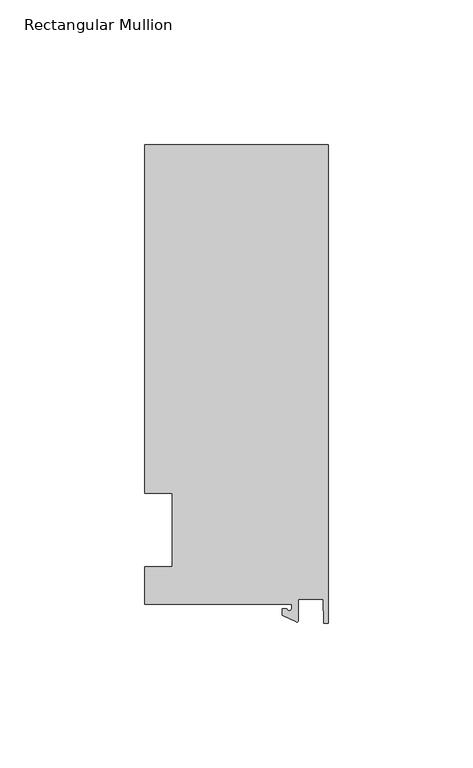
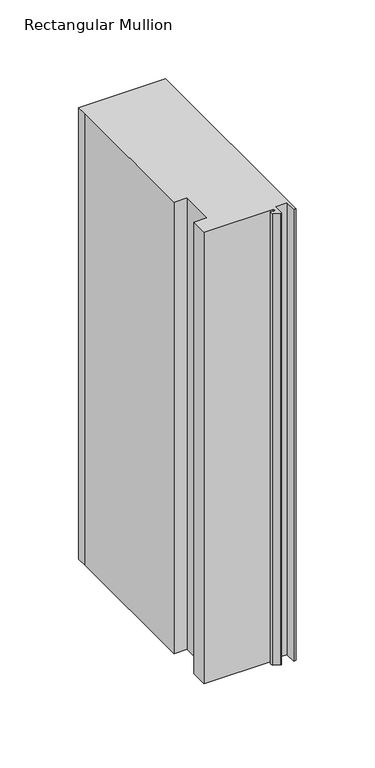
"""IFC4 building model written with IfcOpenShell, lengths in millimetres: member geometry, Rectangular Mullion."""

from ifc_helpers import new_model, si_unit, point, frame, frame_2d, origin, place, context, project, spatial, polyline, circle_curve, trimmed, segment, composite_curve, outline, extrude, source, transform, mapped, element, save


def rectangular_mullion_3f63d6ba(model_context):
    return source(origin(), model_context, "Body", "SweptSolid", [
        extrude(outline(composite_curve([segment(polyline([(-12.6979967, -25.796875), (-63.5, -25.796875), (-63.5, -12.7), (-53.975, -12.7), (-53.975, 12.7), (-63.5, 12.7), (-63.5, 125.4797866), (-63.5, 133.2272736), (0.0, 133.2272736), (0.0, -32.288874), (-1.5658966, -32.288874), (-1.7144124, -23.9227662), (-10.3103967, -23.9227662), (-10.3103967, -31.3654561)]), True, "CONTINUOUS"), segment(trimmed(circle_curve(frame_2d((-10.8183967, -31.3654561)), 0.508), [point((-10.3103967, -31.3654561))], [point((-11.0330867, -31.8258605))], False, "CARTESIAN"), True, "CONTINUOUS"), segment(polyline([(-11.0330867, -31.8258605), (-15.8729967, -29.5689734), (-15.8729967, -27.2067741), (-14.2854967, -27.2067741)]), True, "CONTINUOUS"), segment(trimmed(circle_curve(frame_2d((-13.4917467, -27.2067741)), 0.79375), [point((-14.2854967, -27.2067741))], [point((-12.6979967, -27.2067741))], True, "CARTESIAN"), True, "CONTINUOUS"), segment(polyline([(-12.6979967, -27.2067741), (-12.6979967, -25.796875)]), True, "CONTINUOUS")], self_intersect=False)), frame((0.0, 0.0, -349.25), z_axis=(0.0, 0.0, 1.0), x_axis=(1.0, 0.0, 0.0)), (0.0, 0.0, 1.0), 349.25),
    ])


if __name__ == "__main__":
    model = new_model("IFC4")
    model_context = context("Model", 3, world=origin())
    ifc_project = project(units=[si_unit("LENGTHUNIT", "METRE", prefix="MILLI")], contexts=[model_context])
    site = spatial("IfcSite", under=ifc_project)
    building = spatial("IfcBuilding", under=site)
    placement = place(None, origin())
    rectangular_mullion_shape = rectangular_mullion_3f63d6ba(model_context)
    element("IfcMember", 1, ObjectType="Rectangular Mullion", at=placement, inside=building, context=model_context, shape_type="MappedRepresentation", body=[
        mapped(rectangular_mullion_shape, transform((0.0, 0.0, 0.0), x_axis=(1.0, 0.0, 0.0), y_axis=(0.0, 1.0, 0.0), z_axis=(0.0, 0.0, 1.0))),
    ])
    save(model, "model.ifc")
